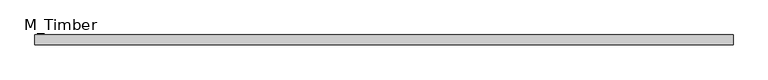
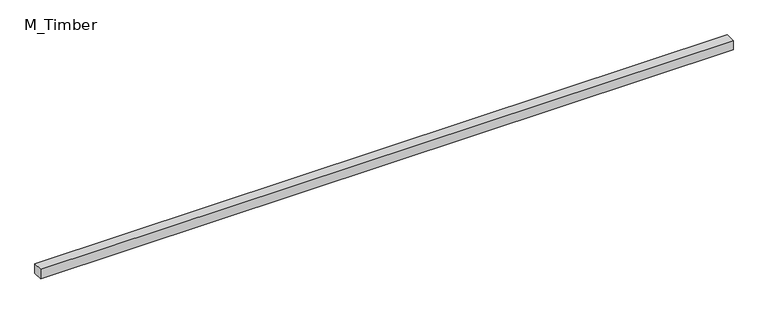
"""IFC4 building model written with IfcOpenShell, lengths in millimetres: beam geometry, M_Timber."""

from ifc_helpers import new_model, si_unit, frame, origin, place, context, project, spatial, polyline, outline, extrude, source, transform, mapped, element, save


def m_timber_8efd35e3(model_context):
    return source(origin(), model_context, "Body", "SweptSolid", [
        extrude(outline(polyline([(1408.403354, 20.0), (1408.403354, -20.0), (-1408.403354, -20.0), (-1408.403354, 20.0), (1408.403354, 20.0)])), frame((0.0, 0.0, -20.0), z_axis=(0.0, 0.0, 1.0), x_axis=(1.0, 0.0, 0.0)), (0.0, 0.0, 1.0), 40.0),
    ])


if __name__ == "__main__":
    model = new_model("IFC4")
    model_context = context("Model", 3, world=origin())
    ifc_project = project(units=[si_unit("LENGTHUNIT", "METRE", prefix="MILLI")], contexts=[model_context])
    site = spatial("IfcSite", under=ifc_project)
    building = spatial("IfcBuilding", under=site)
    placement = place(None, origin())
    m_timber_shape = m_timber_8efd35e3(model_context)
    element("IfcBeam", 1, ObjectType="M_Timber", at=placement, inside=building, context=model_context, shape_type="MappedRepresentation", body=[
        mapped(m_timber_shape, transform((0.0, 0.0, 0.0), x_axis=(1.0, 0.0, 0.0), y_axis=(0.0, 1.0, 0.0), z_axis=(0.0, 0.0, 1.0))),
    ])
    save(model, "model.ifc")
